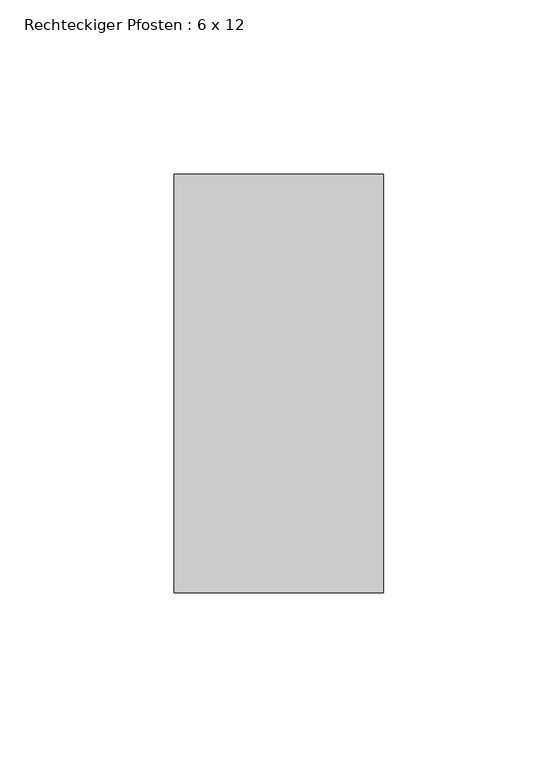
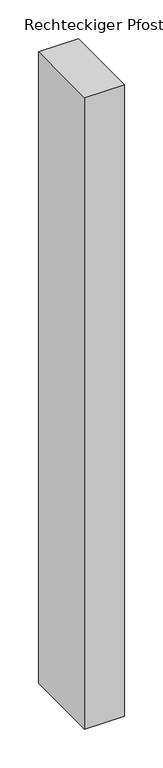
"""IFC4 building model written with IfcOpenShell, lengths in millimetres: member geometry, Rechteckiger Pfosten : 6 x 12."""

from ifc_helpers import new_model, si_unit, frame, origin, place, context, project, spatial, polyline, outline, extrude, source, transform, mapped, element, save


def rechteckiger_pfosten_6_x_12_b49daedd(model_context):
    return source(origin(), model_context, "Body", "SweptSolid", [
        extrude(outline(polyline([(30.0, 60.0), (30.0, -60.0), (-30.0, -60.0), (-30.0, 60.0), (30.0, 60.0)])), frame((0.0, 0.0, -1000.0), z_axis=(0.0, 0.0, 1.0), x_axis=(1.0, 0.0, 0.0)), (0.0, 0.0, 1.0), 1000.0),
    ])


if __name__ == "__main__":
    model = new_model("IFC4")
    model_context = context("Model", 3, world=origin())
    ifc_project = project(units=[si_unit("LENGTHUNIT", "METRE", prefix="MILLI")], contexts=[model_context])
    site = spatial("IfcSite", under=ifc_project)
    building = spatial("IfcBuilding", under=site)
    placement = place(None, origin())
    rechteckiger_pfosten_6_x_12_shape = rechteckiger_pfosten_6_x_12_b49daedd(model_context)
    element("IfcMember", 1, ObjectType="Rechteckiger Pfosten : 6 x 12", at=placement, inside=building, context=model_context, shape_type="MappedRepresentation", body=[
        mapped(rechteckiger_pfosten_6_x_12_shape, transform((0.0, 0.0, 0.0), x_axis=(1.0, 0.0, 0.0), y_axis=(0.0, 1.0, 0.0), z_axis=(0.0, 0.0, 1.0))),
    ])
    save(model, "model.ifc")
